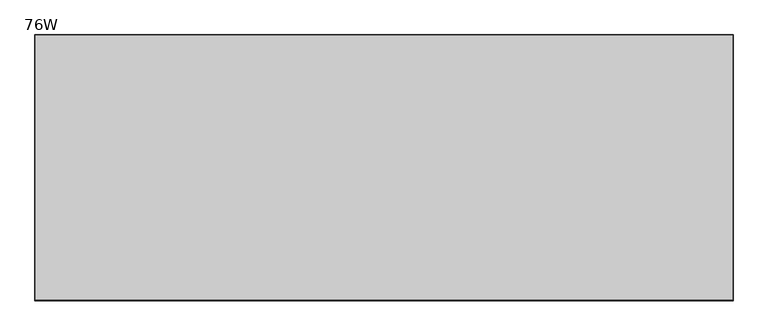
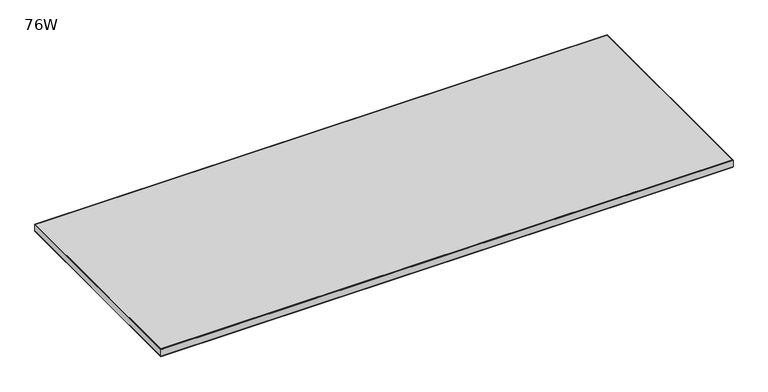
"""IFC4 building model written with IfcOpenShell, lengths in millimetres: furniture geometry, 76W."""

from ifc_helpers import new_model, si_unit, frame, origin, place, context, project, spatial, polyline, outline, extrude, faceted_brep, source, transform, mapped, element, save


def furniture_76w_2d17953b(model_context):
    return source(origin(), model_context, "Body", "SolidModel", [
        faceted_brep([(-736.6, -451.599999, 687.4509564), (-736.3794226, -451.3794217, 686.2), (1193.5794226, -451.3794217, 686.2), (1193.8, -451.599999, 687.4509564), (1193.8, -451.599999, 709.9300349), (-736.6, -451.599999, 709.9300349), (1193.621518, -451.4215171, 711.2), (-736.421518, -451.4215171, 711.2), (1193.5794226, 284.77935, 686.2), (1193.8, 284.9999273, 687.4509564), (1193.8, 284.9999273, 709.9300349), (1193.621518, 284.8214454, 711.2), (1192.784001, 283.9839283, 711.2), (1192.784001, 283.9839283, 686.2), (1192.784001, -448.5527419, 686.2), (1192.784001, -448.5527419, 711.2), (-736.3794226, 284.77935, 686.2), (-736.6, 284.9999273, 687.4509564), (-736.6, 284.9999273, 709.9300349), (-736.421518, 284.8214454, 711.2), (-735.584001, 283.9839283, 711.2), (-735.584001, 283.9839283, 686.2), (-735.584001, -448.5527419, 686.2), (-735.584001, -448.5527419, 711.2)], [[[0, 1, 2, 3]], [[0, 3, 4, 5]], [[5, 4, 6, 7]], [[3, 2, 8, 9]], [[4, 3, 9, 10]], [[6, 4, 10, 11]], [[12, 13, 14, 15]], [[9, 8, 16, 17]], [[10, 9, 17, 18]], [[11, 10, 18, 19]], [[13, 12, 20, 21]], [[2, 1, 16, 8], [13, 21, 22, 14]], [[1, 0, 17, 16]], [[0, 5, 18, 17]], [[5, 7, 19, 18]], [[7, 6, 11, 19], [20, 12, 15, 23]], [[21, 20, 23, 22]], [[14, 22, 23, 15]]]),
        extrude(outline(polyline([(1192.784001, 283.9839283), (1192.784001, -448.5527419), (-735.584001, -448.5527419), (-735.584001, 283.9839283), (1192.784001, 283.9839283)])), frame((0.0, 0.0, 686.2), z_axis=(0.0, 0.0, 1.0), x_axis=(1.0, 0.0, 0.0)), (0.0, 0.0, 1.0), 25.0),
    ])


if __name__ == "__main__":
    model = new_model("IFC4")
    model_context = context("Model", 3, world=origin())
    ifc_project = project(units=[si_unit("LENGTHUNIT", "METRE", prefix="MILLI")], contexts=[model_context])
    site = spatial("IfcSite", under=ifc_project)
    building = spatial("IfcBuilding", under=site)
    placement = place(None, origin())
    furniture_76w_shape = furniture_76w_2d17953b(model_context)
    element("IfcFurniture", 1, ObjectType="76W", at=placement, inside=building, context=model_context, shape_type="MappedRepresentation", body=[
        mapped(furniture_76w_shape, transform((0.0, 0.0, 0.0), x_axis=(1.0, 0.0, 0.0), y_axis=(0.0, 1.0, 0.0), z_axis=(0.0, 0.0, 1.0))),
    ])
    save(model, "model.ifc")
